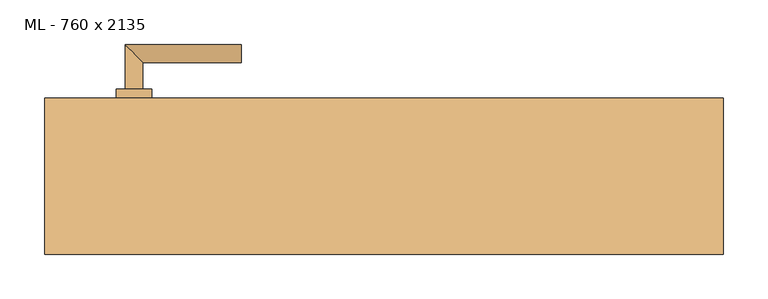
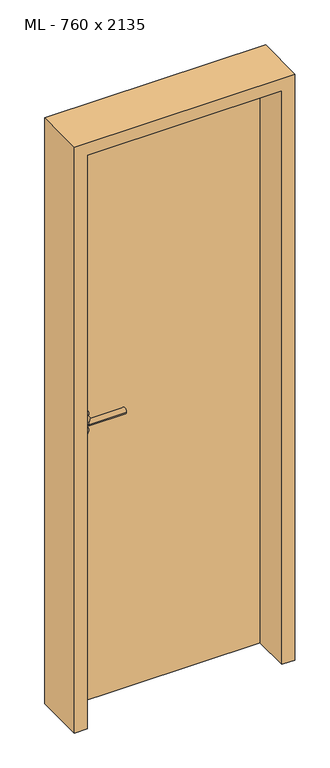
"""IFC4 building model written with IfcOpenShell, lengths in millimetres: door geometry, ML - 760 x 2135."""

import ifcopenshell
import ifcopenshell.guid

model = None  # the IFC model being written
_history = None  # IfcOwnerHistory: only IFC2X3 demands one
_inside = {}  # id of a spatial element -> (the spatial element, [elements in it])
_under = {}  # id of a project, library or spatial element -> (it, [spatial elements below it])
_declared = {}  # id of a project -> (the project, [libraries it declares])
_typed = {}  # id of a type object -> (the type object, [elements of that type])
_made_of = {}  # id of a material, layer set ... -> (it, [elements and type objects made of it])


def new_model(schema):
    """Start an empty IFC model of exactly this schema.

    Asked for "IFC4X3", IfcOpenShell would pick the latest addendum, in which some entities
    have other attributes; the version numbers below select the first issue.
    IFC2X3 requires an IfcOwnerHistory on every rooted entity: one is made here for all.
    """
    global model, _history
    if schema == "IFC4X3":
        model = ifcopenshell.file(schema_version=(4, 3, 0, 0))
    else:
        model = ifcopenshell.file(schema=schema)
    _inside.clear()
    _under.clear()
    _declared.clear()
    _typed.clear()
    _made_of.clear()
    _history = None
    if model.schema == "IFC2X3":
        org = make("IfcOrganization", Name="unknown")
        user = make(
            "IfcPersonAndOrganization",
            ThePerson=make("IfcPerson", FamilyName="unknown"),
            TheOrganization=org,
        )
        app = make(
            "IfcApplication",
            ApplicationDeveloper=org,
            Version="unknown",
            ApplicationFullName="unknown",
            ApplicationIdentifier="unknown",
        )
        _history = make(
            "IfcOwnerHistory",
            OwningUser=user,
            OwningApplication=app,
            ChangeAction="ADDED",
            CreationDate=0,
        )
    return model


def make(cls, **values):
    """One entity of the class cls with the attributes given. An attribute that is None is left unset."""
    return model.create_entity(
        cls, **{name: value for name, value in values.items() if value is not None}
    )


def rooted(cls, **values):
    """An entity with a GlobalId (a new one), such as an element, a storey or a relation."""
    return make(cls, GlobalId=ifcopenshell.guid.new(), OwnerHistory=_history, **values)


def si_unit(unit_type, name, prefix=None):
    """IfcSIUnit, for example si_unit("LENGTHUNIT", "METRE", prefix="MILLI")."""
    return make("IfcSIUnit", UnitType=unit_type, Prefix=prefix, Name=name)


def assignment(units):
    """IfcUnitAssignment: the units of a project."""
    return None if units is None else make("IfcUnitAssignment", Units=units)


def point(xyz):
    """IfcCartesianPoint."""
    return None if xyz is None else make("IfcCartesianPoint", Coordinates=xyz)


def direction(xyz):
    """IfcDirection."""
    return None if xyz is None else make("IfcDirection", DirectionRatios=xyz)


def frame(location, z_axis=None, x_axis=None):
    """IfcAxis2Placement3D, a coordinate frame: its origin and axes. An axis left out is left unset."""
    return make(
        "IfcAxis2Placement3D",
        Location=point(location),
        Axis=direction(z_axis),
        RefDirection=direction(x_axis),
    )


def frame_2d(location, x_axis=None):
    """IfcAxis2Placement2D, a coordinate frame in the plane: its origin and x axis."""
    return make(
        "IfcAxis2Placement2D", Location=point(location), RefDirection=direction(x_axis)
    )


def origin():
    """The frame at (0, 0, 0) with its axes left unset."""
    return frame((0.0, 0.0, 0.0))


def origin_with_axes():
    """The frame at (0, 0, 0) with the z axis (0, 0, 1) and the x axis (1, 0, 0) written out."""
    return frame((0.0, 0.0, 0.0), z_axis=(0.0, 0.0, 1.0), x_axis=(1.0, 0.0, 0.0))


def place(relative_to, where):
    """IfcLocalPlacement: puts the frame where relative to a parent placement (None: the world)."""
    return make(
        "IfcLocalPlacement", PlacementRelTo=relative_to, RelativePlacement=where
    )


def context(
    kind, dimensions, precision=None, world=None, true_north=None, identifier=None
):
    """IfcGeometricRepresentationContext, for example the 3D "Model" context."""
    return make(
        "IfcGeometricRepresentationContext",
        ContextIdentifier=identifier,
        ContextType=kind,
        CoordinateSpaceDimension=dimensions,
        Precision=precision,
        WorldCoordinateSystem=world,
        TrueNorth=true_north,
    )


def project(units=None, contexts=None):
    """IfcProject with its units and contexts."""
    return rooted(
        "IfcProject",
        Name="project",
        RepresentationContexts=contexts,
        UnitsInContext=assignment(units),
    )


def spatial(cls, under=None, at=None, **own):
    """A site, building, storey or space (cls), placed at a placement, below another one or the project."""
    s = rooted(cls, ObjectPlacement=at, **own)
    if under is not None:
        _under.setdefault(under.id(), (under, []))[1].append(s)
    return s


def polyline(points):
    """IfcPolyline through the points."""
    return make("IfcPolyline", Points=[point(p) for p in points])


def circle_curve(where, radius):
    """IfcCircle in the frame where."""
    return make("IfcCircle", Position=where, Radius=radius)


def ellipse_curve(where, semi_axis1, semi_axis2):
    """IfcEllipse in the frame where."""
    return make(
        "IfcEllipse", Position=where, SemiAxis1=semi_axis1, SemiAxis2=semi_axis2
    )


def trimmed(basis, trim1, trim2, sense, master):
    """IfcTrimmedCurve: the piece of a basis curve between two trims."""
    return make(
        "IfcTrimmedCurve",
        BasisCurve=basis,
        Trim1=trim1,
        Trim2=trim2,
        SenseAgreement=sense,
        MasterRepresentation=master,
    )


def segment(curve, same_sense, transition):
    """IfcCompositeCurveSegment."""
    return make(
        "IfcCompositeCurveSegment",
        Transition=transition,
        SameSense=same_sense,
        ParentCurve=curve,
    )


def composite_curve(segments, self_intersect=None):
    """IfcCompositeCurve: segments joined end to end."""
    return make("IfcCompositeCurve", Segments=segments, SelfIntersect=self_intersect)


def outline(outer, holes=None, kind="AREA"):
    """IfcArbitraryClosedProfileDef: a profile drawn as a closed curve; with holes, ...WithVoids."""
    if holes is None:
        return make("IfcArbitraryClosedProfileDef", ProfileType=kind, OuterCurve=outer)
    return make(
        "IfcArbitraryProfileDefWithVoids",
        ProfileType=kind,
        OuterCurve=outer,
        InnerCurves=holes,
    )


def extrude(swept, where, along, depth):
    """IfcExtrudedAreaSolid: the profile swept, set in the frame where, extruded along a direction by depth."""
    return make(
        "IfcExtrudedAreaSolid",
        SweptArea=swept,
        Position=where,
        ExtrudedDirection=direction(along),
        Depth=depth,
    )


def faces_of(points, faces, orient=None, outer=None):
    """IfcFace entities. A face is a list of loops; a loop is a list of indices into points, from 0.

    orient and outer hold one flag for each loop. By default every Orientation is true, the
    first loop of a face is its IfcFaceOuterBound and the others are IfcFaceBound.
    """
    made = []
    for i, loops in enumerate(faces):
        bounds = []
        for j, loop in enumerate(loops):
            is_outer = j == 0 if outer is None else outer[i][j]
            bounds.append(
                make(
                    "IfcFaceOuterBound" if is_outer else "IfcFaceBound",
                    Bound=make("IfcPolyLoop", Polygon=[points[k] for k in loop]),
                    Orientation=True if orient is None else orient[i][j],
                )
            )
        made.append(make("IfcFace", Bounds=bounds))
    return made


def faceted_brep(points, faces, orient=None, outer=None, voids=None):
    """IfcFacetedBrep: a solid bounded by flat faces; with voids (closed shells), ...WithVoids."""
    shared = [point(p) for p in points]
    hull = make("IfcClosedShell", CfsFaces=faces_of(shared, faces, orient, outer))
    if voids is None:
        return make("IfcFacetedBrep", Outer=hull)
    return make(
        "IfcFacetedBrepWithVoids",
        Outer=hull,
        Voids=[
            make(cls, CfsFaces=faces_of(shared, fs, o, b)) for cls, fs, o, b in voids
        ],
    )


def shape(context_of_items, identifier, shape_type, items):
    """IfcShapeRepresentation: the items that make up one representation, for example the "Body"."""
    return make(
        "IfcShapeRepresentation",
        ContextOfItems=context_of_items,
        RepresentationIdentifier=identifier,
        RepresentationType=shape_type,
        Items=items,
    )


def source(mapping_origin, context_of_items, identifier, shape_type, items):
    """IfcRepresentationMap: a shape defined once, which mapped items show again and again."""
    return make(
        "IfcRepresentationMap",
        MappingOrigin=mapping_origin,
        MappedRepresentation=shape(context_of_items, identifier, shape_type, items),
    )


def transform(
    local_origin,
    x_axis=None,
    y_axis=None,
    z_axis=None,
    scale=None,
    scale2=None,
    scale3=None,
    uniform=True,
):
    """IfcCartesianTransformationOperator3D, or its non-uniform kind. x_axis, y_axis, z_axis: its Axis1, 2, 3."""
    if uniform:
        return make(
            "IfcCartesianTransformationOperator3D",
            Axis1=direction(x_axis),
            Axis2=direction(y_axis),
            LocalOrigin=point(local_origin),
            Scale=scale,
            Axis3=direction(z_axis),
        )
    return make(
        "IfcCartesianTransformationOperator3DnonUniform",
        Axis1=direction(x_axis),
        Axis2=direction(y_axis),
        LocalOrigin=point(local_origin),
        Scale=scale,
        Axis3=direction(z_axis),
        Scale2=scale2,
        Scale3=scale3,
    )


def mapped(mapping_source, mapping_target):
    """IfcMappedItem: shows the shape of a source again, moved by a transform."""
    return make(
        "IfcMappedItem", MappingSource=mapping_source, MappingTarget=mapping_target
    )


def made_of(thing, what):
    """Note that an element or type object is made of a material, layer set ...; save() writes the relation."""
    if what is not None:
        _made_of.setdefault(what.id(), (what, []))[1].append(thing)
    return thing


def element(
    cls,
    number,
    at=None,
    inside=None,
    cuts=None,
    type_object=None,
    material=None,
    context=None,
    identifier="Body",
    shape_type=None,
    held_by="IfcProductDefinitionShape",
    body=None,
    shapes=None,
    **own,
):
    """One element of the class cls, such as IfcWall. Its Tag is "e" and its number.

    at: its placement. inside: the storey or other place that contains it. cuts: it is an
    opening in that element (IfcRelVoidsElement). A single representation is given by context,
    identifier, shape_type and body (its items); several are given by shapes. held_by: the class
    of the entity that holds the representations. save() writes the other relations.
    """
    e = rooted(cls, Tag="e%d" % number, ObjectPlacement=at, **own)
    if body is not None:
        shapes = [shape(context, identifier, shape_type, body)]
    if shapes is not None:
        e.Representation = make(held_by, Representations=shapes)
    if inside is not None:
        _inside.setdefault(inside.id(), (inside, []))[1].append(e)
    if cuts is not None:
        rooted(
            "IfcRelVoidsElement", RelatingBuildingElement=cuts, RelatedOpeningElement=e
        )
    if type_object is not None:
        _typed.setdefault(type_object.id(), (type_object, []))[1].append(e)
    return made_of(e, material)


def aggregate(whole, parts):
    """IfcRelAggregates: a whole, such as a stair, and the parts it consists of."""
    return rooted("IfcRelAggregates", RelatingObject=whole, RelatedObjects=parts)


def save(model, path):
    """Write the relations noted so far, then the file.

    IfcRelAggregates (storeys below a building ...), IfcRelContainedInSpatialStructure (elements
    in a storey), IfcRelDefinesByType, IfcRelAssociatesMaterial and IfcRelDeclares: one each for
    every whole, place, type object, material and project.
    """
    for whole, parts in _under.values():
        aggregate(whole, parts)
    for where, things in _inside.values():
        rooted(
            "IfcRelContainedInSpatialStructure",
            RelatedElements=things,
            RelatingStructure=where,
        )
    for kind, things in _typed.values():
        rooted("IfcRelDefinesByType", RelatedObjects=things, RelatingType=kind)
    for what, things in _made_of.values():
        rooted("IfcRelAssociatesMaterial", RelatedObjects=things, RelatingMaterial=what)
    for by, libraries in _declared.values():
        rooted("IfcRelDeclares", RelatingContext=by, RelatedDefinitions=libraries)
    model.write(path)


def plane_surface(at):
    """IfcPlane: the flat surface through the origin of the frame at, square to its z axis."""
    return make("IfcPlane", Position=at)


def cylinder_surface(at, radius):
    """IfcCylindricalSurface: all points at the distance radius from the z axis of the frame at."""
    return make("IfcCylindricalSurface", Position=at, Radius=radius)


def advanced_brep(points, edges, surfaces, faces):
    """IfcAdvancedBrep: a solid bounded by faces that lie on surfaces and meet in shared edges.

    An edge is (start, end): straight between two places in points (the first is 0);
    or (start, end, curve); or (start, end, curve, False) where it runs against its curve.
    A face is (place in surfaces, loops), or (place, loops, False) where it looks against
    its surface's normal. A loop lists edges by number (the first is 1), with a minus sign
    where the edge is run from its end to its start. The first loop is the outer one.
    """
    corners = [point(p) for p in points]
    vertices = [make("IfcVertexPoint", VertexGeometry=c) for c in corners]
    made = []
    for start, end, *more in edges:
        made.append(
            make(
                "IfcEdgeCurve",
                EdgeStart=vertices[start],
                EdgeEnd=vertices[end],
                EdgeGeometry=more[0] if more else make("IfcPolyline", Points=[corners[start], corners[end]]),
                SameSense=more[1] if len(more) > 1 else True,
            )
        )
    hull = []
    for where, loops, *sense in faces:
        bounds = []
        for j, loop in enumerate(loops):
            ring = [make("IfcOrientedEdge", EdgeElement=made[abs(k) - 1], Orientation=k > 0) for k in loop]
            bounds.append(
                make(
                    "IfcFaceOuterBound" if j == 0 else "IfcFaceBound",
                    Bound=make("IfcEdgeLoop", EdgeList=ring),
                    Orientation=True,
                )
            )
        hull.append(make("IfcAdvancedFace", Bounds=bounds, FaceSurface=surfaces[where], SameSense=sense[0] if sense else True))
    return make("IfcAdvancedBrep", Outer=make("IfcClosedShell", CfsFaces=hull))


def ml_760_x_2135_84ad8d66(model_context):
    return source(origin(), model_context, "Body", "SolidModel", [
        extrude(outline(polyline([(346.0, 87.5), (346.0, 42.5), (-346.0, 42.5), (-346.0, 87.5), (346.0, 87.5)])), origin_with_axes(), (0.0, 0.0, 1.0), 2101.0),
        advanced_brep(
        [(-270.0, 97.5, 1050.0), (-290.0, 97.5, 1050.0), (-270.0, 127.5, 1050.0), (-290.0, 147.5, 1050.0), (-160.0, 127.5, 1050.0), (-160.0, 147.5, 1050.0)],
        [
            (0, 1, circle_curve(frame((-280.0, 97.5, 1050.0), z_axis=(0.0, -1.0, 0.0), x_axis=(-1.0, 0.0, 0.0)), 10.0)),
            (1, 0, circle_curve(frame((-280.0, 97.5, 1050.0), z_axis=(0.0, -1.0, 0.0), x_axis=(-1.0, 0.0, 0.0)), 10.0)),
            (0, 2),
            (2, 3, ellipse_curve(frame((-280.0, 137.5, 1050.0), z_axis=(-0.7071067811865531, -0.7071067811865419, 0.0), x_axis=(0.707106781186542, -0.707106781186553, 0.0)), 14.1421356, 10.0)),
            (3, 1),
            (3, 2, ellipse_curve(frame((-280.0, 137.5, 1050.0), z_axis=(-0.7071067811865531, -0.7071067811865419, 0.0), x_axis=(0.707106781186542, -0.707106781186553, 0.0)), 14.1421356, 10.0)),
            (4, 5, circle_curve(frame((-160.0, 137.5, 1050.0), z_axis=(1.0, 0.0, 0.0), x_axis=(0.0, 1.0, 0.0)), 10.0)),
            (5, 4, circle_curve(frame((-160.0, 137.5, 1050.0), z_axis=(1.0, 0.0, 0.0), x_axis=(0.0, 1.0, 0.0)), 10.0)),
            (2, 4),
            (5, 3),
        ],
        [
            plane_surface(frame((-280.0, 97.5, 1050.0), z_axis=(0.0, -1.0, 0.0), x_axis=(0.0, 0.0, 1.0))),
            cylinder_surface(frame((-280.0, 97.5, 1050.0), z_axis=(0.0, -1.0, 0.0), x_axis=(-1.0, 0.0, 0.0)), 10.0),
            plane_surface(frame((-160.0, 137.5, 1050.0), z_axis=(1.0, 0.0, 0.0), x_axis=(0.0, 0.0, 1.0))),
            cylinder_surface(frame((-280.0, 137.5, 1050.0), z_axis=(-1.0, 0.0, 0.0), x_axis=(0.0, 1.0, 0.0)), 10.0),
        ],
        [
            (0, [[1, 2]]),
            (1, [[-1, 3, 4, 5]]),
            (1, [[-2, -5, 6, -3]]),
            (2, [[7, 8]]),
            (3, [[-4, 9, -8, 10]]),
            (3, [[-6, -10, -7, -9]]),
        ],
    ),
        extrude(outline(composite_curve([segment(trimmed(circle_curve(frame_2d((990.0, -280.0)), 20.0), [point((990.0, -300.0))], [point((990.0, -260.0))], False, "CARTESIAN"), True, "CONTINUOUS"), segment(trimmed(circle_curve(frame_2d((990.0, -280.0)), 20.0), [point((990.0, -260.0))], [point((990.0, -300.0))], False, "CARTESIAN"), True, "CONTINUOUS")], self_intersect=False), holes=[composite_curve([segment(polyline([(976.4601385, -282.397268), (988.4749012, -282.397268)]), True, "CONTINUOUS"), segment(trimmed(circle_curve(frame_2d((995.0361633, -280.0)), 6.9854888), [point((988.4749012, -282.397268))], [point((988.4749012, -277.602732))], True, "CARTESIAN"), True, "CONTINUOUS"), segment(polyline([(988.4749012, -277.602732), (976.4601385, -277.602732)]), True, "CONTINUOUS"), segment(trimmed(circle_curve(frame_2d((976.4601385, -280.0)), 2.397268), [point((976.4601385, -277.602732))], [point((976.4601385, -282.397268))], True, "CARTESIAN"), True, "CONTINUOUS")], self_intersect=False)]), frame((0.0, 87.5, 0.0), z_axis=(0.0, 1.0, 0.0), x_axis=(0.0, 0.0, 1.0)), (0.0, 0.0, 1.0), 10.0),
        advanced_brep(
        [(-270.0, 97.5, 1050.0), (-290.0, 97.5, 1050.0), (-270.0, 127.5, 1050.0), (-290.0, 147.5, 1050.0), (-160.0, 127.5, 1050.0), (-160.0, 147.5, 1050.0)],
        [
            (0, 1, circle_curve(frame((-280.0, 97.5, 1050.0), z_axis=(0.0, -1.0, 0.0), x_axis=(-1.0, 0.0, 0.0)), 10.0)),
            (1, 0, circle_curve(frame((-280.0, 97.5, 1050.0), z_axis=(0.0, -1.0, 0.0), x_axis=(-1.0, 0.0, 0.0)), 10.0)),
            (0, 2),
            (2, 3, ellipse_curve(frame((-280.0, 137.5, 1050.0), z_axis=(-0.7071067811865537, -0.7071067811865414, 0.0), x_axis=(0.7071067811865414, -0.7071067811865536, 0.0)), 14.1421356, 10.0)),
            (3, 1),
            (3, 2, ellipse_curve(frame((-280.0, 137.5, 1050.0), z_axis=(-0.7071067811865537, -0.7071067811865414, 0.0), x_axis=(0.7071067811865414, -0.7071067811865536, 0.0)), 14.1421356, 10.0)),
            (4, 5, circle_curve(frame((-160.0, 137.5, 1050.0), z_axis=(1.0, 0.0, 0.0), x_axis=(0.0, 1.0, 0.0)), 10.0)),
            (5, 4, circle_curve(frame((-160.0, 137.5, 1050.0), z_axis=(1.0, 0.0, 0.0), x_axis=(0.0, 1.0, 0.0)), 10.0)),
            (2, 4),
            (5, 3),
        ],
        [
            plane_surface(frame((-280.0, 97.5, 1050.0), z_axis=(0.0, -1.0, 0.0), x_axis=(0.0, 0.0, 1.0))),
            cylinder_surface(frame((-280.0, 97.5, 1050.0), z_axis=(0.0, -1.0, 0.0), x_axis=(-1.0, 0.0, 0.0)), 10.0),
            plane_surface(frame((-160.0, 137.5, 1050.0), z_axis=(1.0, 0.0, 0.0), x_axis=(0.0, 0.0, 1.0))),
            cylinder_surface(frame((-280.0, 137.5, 1050.0), z_axis=(-1.0, 0.0, 0.0), x_axis=(0.0, 1.0, 0.0)), 10.0),
        ],
        [
            (0, [[1, 2]]),
            (1, [[-1, 3, 4, 5]]),
            (1, [[-2, -5, 6, -3]]),
            (2, [[7, 8]]),
            (3, [[-4, 9, -8, 10]]),
            (3, [[-6, -10, -7, -9]]),
        ],
    ),
        extrude(outline(composite_curve([segment(trimmed(circle_curve(frame_2d((1050.0, -280.0)), 20.0), [point((1050.0, -300.0))], [point((1050.0, -260.0))], False, "CARTESIAN"), True, "CONTINUOUS"), segment(trimmed(circle_curve(frame_2d((1050.0, -280.0)), 20.0), [point((1050.0, -260.0))], [point((1050.0, -300.0))], False, "CARTESIAN"), True, "CONTINUOUS")], self_intersect=False)), frame((0.0, 87.5, 0.0), z_axis=(0.0, 1.0, 0.0), x_axis=(0.0, 0.0, 1.0)), (0.0, 0.0, 1.0), 10.0),
        advanced_brep(
        [(-270.0, 32.5, 1050.0), (-290.0, 32.5, 1050.0), (-290.0, -17.5, 1050.0), (-270.0, 2.5, 1050.0), (-160.0, 2.5, 1050.0), (-160.0, -17.5, 1050.0)],
        [
            (0, 1, circle_curve(frame((-280.0, 32.5, 1050.0), z_axis=(0.0, 1.0, 0.0), x_axis=(-1.0, 0.0, 0.0)), 10.0)),
            (1, 0, circle_curve(frame((-280.0, 32.5, 1050.0), z_axis=(0.0, 1.0, 0.0), x_axis=(-1.0, 0.0, 0.0)), 10.0)),
            (1, 2),
            (2, 3, ellipse_curve(frame((-280.0, -7.5, 1050.0), z_axis=(-0.7071067811865486, 0.7071067811865464, 0.0), x_axis=(0.7071067811865464, 0.7071067811865488, 0.0)), 14.1421356, 10.0)),
            (3, 0),
            (3, 2, ellipse_curve(frame((-280.0, -7.5, 1050.0), z_axis=(-0.7071067811865486, 0.7071067811865464, 0.0), x_axis=(0.7071067811865464, 0.7071067811865488, 0.0)), 14.1421356, 10.0)),
            (4, 5, circle_curve(frame((-160.0, -7.5, 1050.0), z_axis=(1.0, 0.0, 0.0), x_axis=(0.0, -1.0, 0.0)), 10.0)),
            (5, 4, circle_curve(frame((-160.0, -7.5, 1050.0), z_axis=(1.0, 0.0, 0.0), x_axis=(0.0, -1.0, 0.0)), 10.0)),
            (2, 5),
            (4, 3),
        ],
        [
            plane_surface(frame((-280.0, 32.5, 1050.0), z_axis=(0.0, 1.0, 0.0), x_axis=(0.0, 0.0, 1.0))),
            cylinder_surface(frame((-280.0, 32.5, 1050.0), z_axis=(0.0, 1.0, 0.0), x_axis=(-1.0, 0.0, 0.0)), 10.0),
            plane_surface(frame((-160.0, -7.5, 1050.0), z_axis=(1.0, 0.0, 0.0), x_axis=(0.0, 0.0, 1.0))),
            cylinder_surface(frame((-280.0, -7.5, 1050.0), z_axis=(-1.0, 0.0, 0.0), x_axis=(0.0, -1.0, 0.0)), 10.0),
        ],
        [
            (0, [[1, 2]]),
            (1, [[3, 4, 5, -2]]),
            (1, [[-5, 6, -3, -1]]),
            (2, [[7, 8]]),
            (3, [[9, -7, 10, -4]]),
            (3, [[-10, -8, -9, -6]]),
        ],
    ),
        extrude(outline(composite_curve([segment(trimmed(circle_curve(frame_2d((990.0, -280.0)), 20.0), [point((990.0, -300.0))], [point((990.0, -260.0))], False, "CARTESIAN"), True, "CONTINUOUS"), segment(trimmed(circle_curve(frame_2d((990.0, -280.0)), 20.0), [point((990.0, -260.0))], [point((990.0, -300.0))], False, "CARTESIAN"), True, "CONTINUOUS")], self_intersect=False), holes=[composite_curve([segment(polyline([(976.4601385, -282.397268), (988.4749012, -282.397268)]), True, "CONTINUOUS"), segment(trimmed(circle_curve(frame_2d((995.0361633, -280.0)), 6.9854888), [point((988.4749012, -282.397268))], [point((988.4749012, -277.602732))], True, "CARTESIAN"), True, "CONTINUOUS"), segment(polyline([(988.4749012, -277.602732), (976.4601385, -277.602732)]), True, "CONTINUOUS"), segment(trimmed(circle_curve(frame_2d((976.4601385, -280.0)), 2.397268), [point((976.4601385, -277.602732))], [point((976.4601385, -282.397268))], True, "CARTESIAN"), True, "CONTINUOUS")], self_intersect=False)]), frame((0.0, 32.5, 0.0), z_axis=(0.0, 1.0, 0.0), x_axis=(0.0, 0.0, 1.0)), (0.0, 0.0, 1.0), 10.0),
        advanced_brep(
        [(-270.0, 32.5, 1050.0), (-290.0, 32.5, 1050.0), (-290.0, -17.5, 1050.0), (-270.0, 2.5, 1050.0), (-160.0, 2.5, 1050.0), (-160.0, -17.5, 1050.0)],
        [
            (0, 1, circle_curve(frame((-280.0, 32.5, 1050.0), z_axis=(0.0, 1.0, 0.0), x_axis=(-1.0, 0.0, 0.0)), 10.0)),
            (1, 0, circle_curve(frame((-280.0, 32.5, 1050.0), z_axis=(0.0, 1.0, 0.0), x_axis=(-1.0, 0.0, 0.0)), 10.0)),
            (1, 2),
            (2, 3, ellipse_curve(frame((-280.0, -7.5, 1050.0), z_axis=(-0.7071067811865491, 0.7071067811865459, 0.0), x_axis=(0.7071067811865458, 0.7071067811865492, 0.0)), 14.1421356, 10.0)),
            (3, 0),
            (3, 2, ellipse_curve(frame((-280.0, -7.5, 1050.0), z_axis=(-0.7071067811865491, 0.7071067811865459, 0.0), x_axis=(0.7071067811865458, 0.7071067811865492, 0.0)), 14.1421356, 10.0)),
            (4, 5, circle_curve(frame((-160.0, -7.5, 1050.0), z_axis=(1.0, 0.0, 0.0), x_axis=(0.0, -1.0, 0.0)), 10.0)),
            (5, 4, circle_curve(frame((-160.0, -7.5, 1050.0), z_axis=(1.0, 0.0, 0.0), x_axis=(0.0, -1.0, 0.0)), 10.0)),
            (2, 5),
            (4, 3),
        ],
        [
            plane_surface(frame((-280.0, 32.5, 1050.0), z_axis=(0.0, 1.0, 0.0), x_axis=(0.0, 0.0, 1.0))),
            cylinder_surface(frame((-280.0, 32.5, 1050.0), z_axis=(0.0, 1.0, 0.0), x_axis=(-1.0, 0.0, 0.0)), 10.0),
            plane_surface(frame((-160.0, -7.5, 1050.0), z_axis=(1.0, 0.0, 0.0), x_axis=(0.0, 0.0, 1.0))),
            cylinder_surface(frame((-280.0, -7.5, 1050.0), z_axis=(-1.0, 0.0, 0.0), x_axis=(0.0, -1.0, 0.0)), 10.0),
        ],
        [
            (0, [[1, 2]]),
            (1, [[3, 4, 5, -2]]),
            (1, [[-5, 6, -3, -1]]),
            (2, [[7, 8]]),
            (3, [[9, -7, 10, -4]]),
            (3, [[-10, -8, -9, -6]]),
        ],
    ),
        extrude(outline(composite_curve([segment(trimmed(circle_curve(frame_2d((1050.0, -280.0)), 20.0), [point((1050.0, -300.0))], [point((1050.0, -260.0))], False, "CARTESIAN"), True, "CONTINUOUS"), segment(trimmed(circle_curve(frame_2d((1050.0, -280.0)), 20.0), [point((1050.0, -260.0))], [point((1050.0, -300.0))], False, "CARTESIAN"), True, "CONTINUOUS")], self_intersect=False)), frame((0.0, 32.5, 0.0), z_axis=(0.0, 1.0, 0.0), x_axis=(0.0, 0.0, 1.0)), (0.0, 0.0, 1.0), 10.0),
        faceted_brep([(-350.0, 87.5, 0.0), (-350.0, 42.5, 0.0), (-335.0, 42.5, 0.0), (-335.0, -87.5, 0.0), (-380.0, -87.5, 0.0), (-380.0, 87.5, 0.0), (-350.0, 87.5, 2105.0), (-350.0, 42.5, 2105.0), (350.0, 42.5, 2105.0), (350.0, 42.5, 0.0), (335.0, 42.5, 0.0), (335.0, 42.5, 2090.0), (-335.0, 42.5, 2090.0), (-335.0, -87.5, 2090.0), (335.0, -87.5, 2090.0), (335.0, -87.5, 0.0), (380.0, -87.5, 0.0), (380.0, -87.5, 2135.0), (-380.0, -87.5, 2135.0), (-380.0, 87.5, 2135.0), (380.0, 87.5, 2135.0), (380.0, 87.5, 0.0), (350.0, 87.5, 0.0), (350.0, 87.5, 2105.0)], [[[0, 1, 2, 3, 4, 5]], [[1, 0, 6, 7]], [[2, 1, 7, 8, 9, 10, 11, 12]], [[3, 2, 12, 13]], [[4, 3, 13, 14, 15, 16, 17, 18]], [[5, 4, 18, 19]], [[0, 5, 19, 20, 21, 22, 23, 6]], [[20, 17, 16, 21]], [[22, 21, 16, 15, 10, 9]], [[8, 23, 22, 9]], [[14, 11, 10, 15]], [[19, 18, 17, 20]], [[13, 12, 11, 14]], [[7, 6, 23, 8]]]),
    ])


if __name__ == "__main__":
    model = new_model("IFC4")
    model_context = context("Model", 3, world=origin())
    ifc_project = project(units=[si_unit("LENGTHUNIT", "METRE", prefix="MILLI")], contexts=[model_context])
    site = spatial("IfcSite", under=ifc_project)
    building = spatial("IfcBuilding", under=site)
    placement = place(None, origin())
    ml_760_x_2135_shape = ml_760_x_2135_84ad8d66(model_context)
    element("IfcDoor", 1, ObjectType="ML - 760 x 2135", at=placement, inside=building, context=model_context, shape_type="MappedRepresentation", body=[
        mapped(ml_760_x_2135_shape, transform((0.0, 0.0, 0.0), x_axis=(1.0, 0.0, 0.0), y_axis=(0.0, 1.0, 0.0), z_axis=(0.0, 0.0, 1.0))),
    ])
    save(model, "model.ifc")
